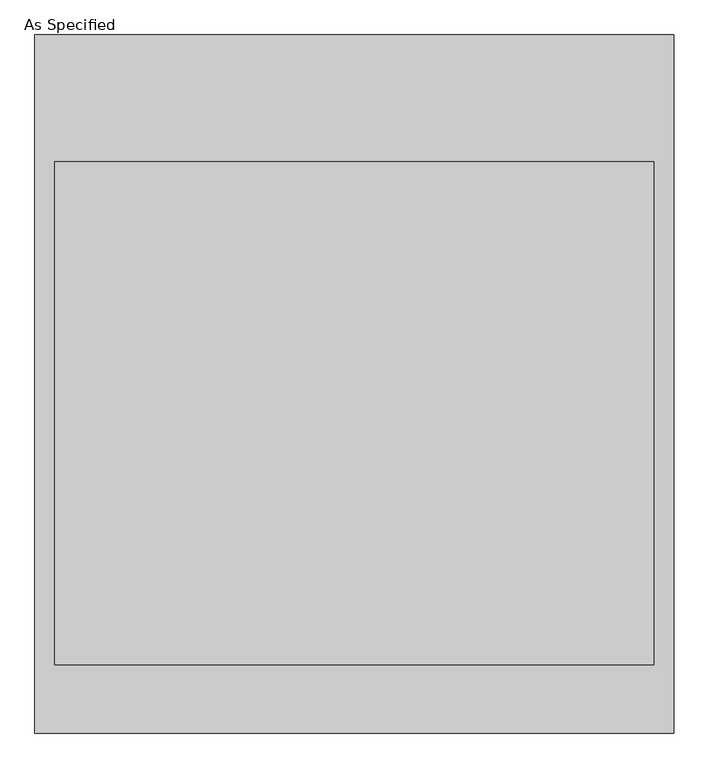
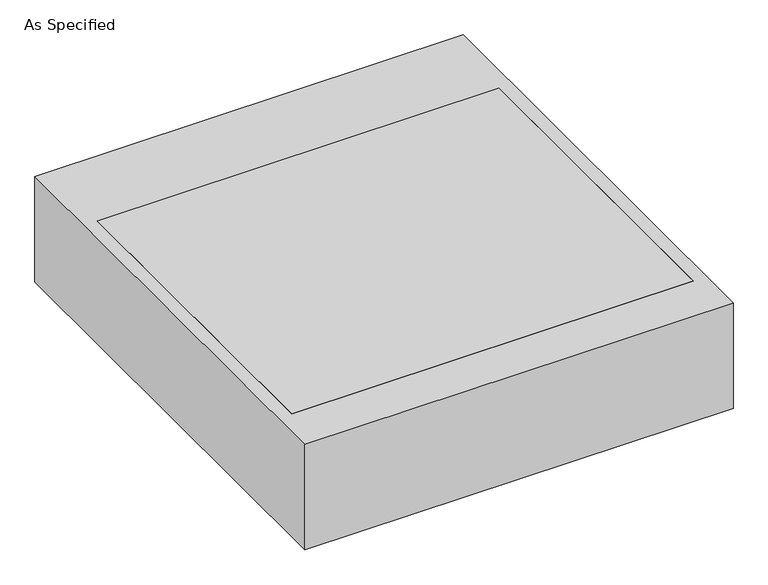
"""IFC4 building model written with IfcOpenShell, lengths in millimetres: proxy geometry, As Specified."""

from ifc_helpers import new_model, si_unit, frame, origin, place, context, project, spatial, polyline, outline, extrude, faceted_brep, source, transform, mapped, element, save


def as_specified_16c5e0a2(model_context):
    return source(origin(), model_context, "Body", "SolidModel", [
        faceted_brep([(-968.375, 1057.275, -25.4), (-968.375, 1057.275, -530.225), (-968.375, -1057.275, -530.225), (-968.375, -1057.275, -25.4), (-908.05, 673.1, -25.4), (-908.05, -850.9, -25.4), (-908.05, -850.9, -373.0625), (-908.05, 673.1, -373.0625), (968.375, 1057.275, -25.4), (968.375, -1057.275, -25.4), (908.05, 673.1, -25.4), (908.05, -850.9, -25.4), (968.375, -1057.275, -530.225), (968.375, 1057.275, -530.225), (908.05, 673.1, -373.0625), (908.05, -850.9, -373.0625)], [[[0, 1, 2, 3]], [[4, 5, 6, 7]], [[8, 0, 3, 9], [5, 4, 10, 11]], [[8, 9, 12, 13]], [[12, 9, 3, 2]], [[13, 12, 2, 1]], [[8, 13, 1, 0]], [[4, 7, 14, 10]], [[7, 6, 15, 14]], [[6, 5, 11, 15]], [[11, 10, 14, 15]]]),
        extrude(outline(polyline([(908.05, 673.1), (908.05, -850.9), (-908.05, -850.9), (-908.05, 673.1), (908.05, 673.1)])), frame((0.0, 0.0, -373.0625), z_axis=(0.0, 0.0, 1.0), x_axis=(1.0, 0.0, 0.0)), (0.0, 0.0, 1.0), 347.6625),
    ])


if __name__ == "__main__":
    model = new_model("IFC4")
    model_context = context("Model", 3, world=origin())
    ifc_project = project(units=[si_unit("LENGTHUNIT", "METRE", prefix="MILLI")], contexts=[model_context])
    site = spatial("IfcSite", under=ifc_project)
    building = spatial("IfcBuilding", under=site)
    placement = place(None, origin())
    as_specified_shape = as_specified_16c5e0a2(model_context)
    element("IfcBuildingElementProxy", 1, Name="As Specified", ObjectType="As Specified", at=placement, inside=building, context=model_context, shape_type="MappedRepresentation", body=[
        mapped(as_specified_shape, transform((0.0, 0.0, 0.0), x_axis=(1.0, 0.0, 0.0), y_axis=(0.0, 1.0, 0.0), z_axis=(0.0, 0.0, 1.0))),
    ])
    save(model, "model.ifc")
